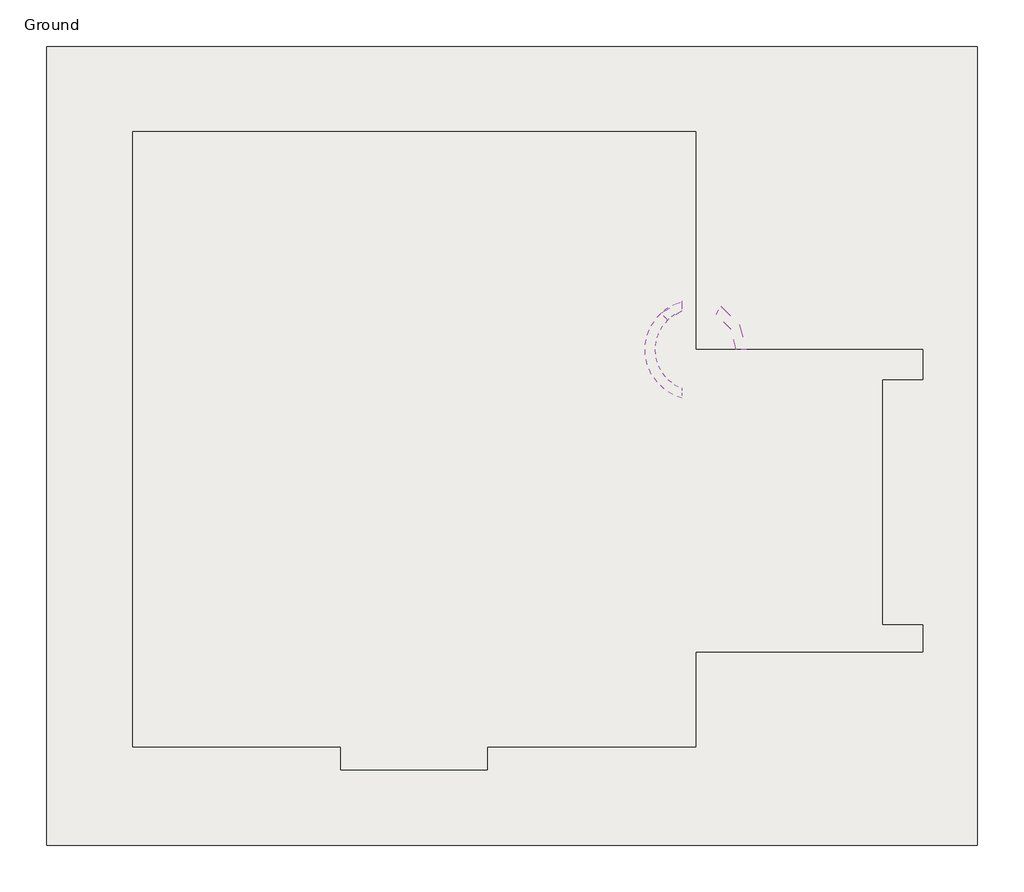
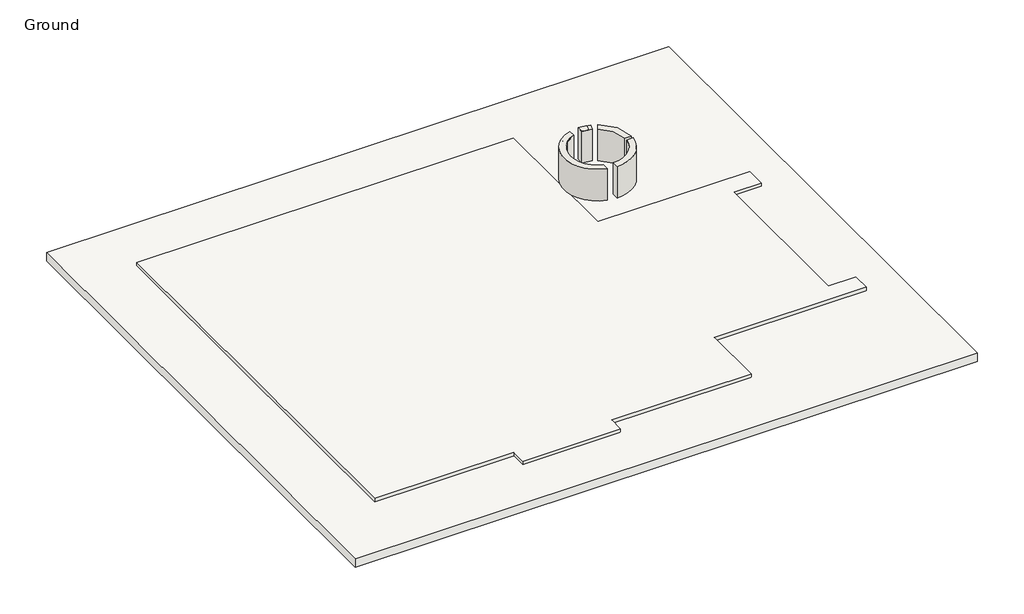
# One storey: 3 walls, 2 slabs.
"""IFC4 building model written with IfcOpenShell, lengths in millimetres."""

import ifcopenshell
import ifcopenshell.guid

model = None  # the IFC model being written
_history = None  # IfcOwnerHistory: only IFC2X3 demands one
_inside = {}  # id of a spatial element -> (the spatial element, [elements in it])
_under = {}  # id of a project, library or spatial element -> (it, [spatial elements below it])
_declared = {}  # id of a project -> (the project, [libraries it declares])
_typed = {}  # id of a type object -> (the type object, [elements of that type])
_made_of = {}  # id of a material, layer set ... -> (it, [elements and type objects made of it])


def new_model(schema):
    """Start an empty IFC model of exactly this schema.

    Asked for "IFC4X3", IfcOpenShell would pick the latest addendum, in which some entities
    have other attributes; the version numbers below select the first issue.
    IFC2X3 requires an IfcOwnerHistory on every rooted entity: one is made here for all.
    """
    global model, _history
    if schema == "IFC4X3":
        model = ifcopenshell.file(schema_version=(4, 3, 0, 0))
    else:
        model = ifcopenshell.file(schema=schema)
    _inside.clear()
    _under.clear()
    _declared.clear()
    _typed.clear()
    _made_of.clear()
    _history = None
    if model.schema == "IFC2X3":
        org = make("IfcOrganization", Name="unknown")
        user = make(
            "IfcPersonAndOrganization",
            ThePerson=make("IfcPerson", FamilyName="unknown"),
            TheOrganization=org,
        )
        app = make(
            "IfcApplication",
            ApplicationDeveloper=org,
            Version="unknown",
            ApplicationFullName="unknown",
            ApplicationIdentifier="unknown",
        )
        _history = make(
            "IfcOwnerHistory",
            OwningUser=user,
            OwningApplication=app,
            ChangeAction="ADDED",
            CreationDate=0,
        )
    return model


def make(cls, **values):
    """One entity of the class cls with the attributes given. An attribute that is None is left unset."""
    return model.create_entity(
        cls, **{name: value for name, value in values.items() if value is not None}
    )


def rooted(cls, **values):
    """An entity with a GlobalId (a new one), such as an element, a storey or a relation."""
    return make(cls, GlobalId=ifcopenshell.guid.new(), OwnerHistory=_history, **values)


def si_unit(unit_type, name, prefix=None):
    """IfcSIUnit, for example si_unit("LENGTHUNIT", "METRE", prefix="MILLI")."""
    return make("IfcSIUnit", UnitType=unit_type, Prefix=prefix, Name=name)


def assignment(units):
    """IfcUnitAssignment: the units of a project."""
    return None if units is None else make("IfcUnitAssignment", Units=units)


def point(xyz):
    """IfcCartesianPoint."""
    return None if xyz is None else make("IfcCartesianPoint", Coordinates=xyz)


def direction(xyz):
    """IfcDirection."""
    return None if xyz is None else make("IfcDirection", DirectionRatios=xyz)


def frame(location, z_axis=None, x_axis=None):
    """IfcAxis2Placement3D, a coordinate frame: its origin and axes. An axis left out is left unset."""
    return make(
        "IfcAxis2Placement3D",
        Location=point(location),
        Axis=direction(z_axis),
        RefDirection=direction(x_axis),
    )


def frame_2d(location, x_axis=None):
    """IfcAxis2Placement2D, a coordinate frame in the plane: its origin and x axis."""
    return make(
        "IfcAxis2Placement2D", Location=point(location), RefDirection=direction(x_axis)
    )


def origin():
    """The frame at (0, 0, 0) with its axes left unset."""
    return frame((0.0, 0.0, 0.0))


def place(relative_to, where):
    """IfcLocalPlacement: puts the frame where relative to a parent placement (None: the world)."""
    return make(
        "IfcLocalPlacement", PlacementRelTo=relative_to, RelativePlacement=where
    )


def context(
    kind, dimensions, precision=None, world=None, true_north=None, identifier=None
):
    """IfcGeometricRepresentationContext, for example the 3D "Model" context."""
    return make(
        "IfcGeometricRepresentationContext",
        ContextIdentifier=identifier,
        ContextType=kind,
        CoordinateSpaceDimension=dimensions,
        Precision=precision,
        WorldCoordinateSystem=world,
        TrueNorth=true_north,
    )


def project(units=None, contexts=None):
    """IfcProject with its units and contexts."""
    return rooted(
        "IfcProject",
        Name="project",
        RepresentationContexts=contexts,
        UnitsInContext=assignment(units),
    )


def spatial(cls, under=None, at=None, **own):
    """A site, building, storey or space (cls), placed at a placement, below another one or the project."""
    s = rooted(cls, ObjectPlacement=at, **own)
    if under is not None:
        _under.setdefault(under.id(), (under, []))[1].append(s)
    return s


def polyline(points):
    """IfcPolyline through the points."""
    return make("IfcPolyline", Points=[point(p) for p in points])


def circle_curve(where, radius):
    """IfcCircle in the frame where."""
    return make("IfcCircle", Position=where, Radius=radius)


def trimmed(basis, trim1, trim2, sense, master):
    """IfcTrimmedCurve: the piece of a basis curve between two trims."""
    return make(
        "IfcTrimmedCurve",
        BasisCurve=basis,
        Trim1=trim1,
        Trim2=trim2,
        SenseAgreement=sense,
        MasterRepresentation=master,
    )


def segment(curve, same_sense, transition):
    """IfcCompositeCurveSegment."""
    return make(
        "IfcCompositeCurveSegment",
        Transition=transition,
        SameSense=same_sense,
        ParentCurve=curve,
    )


def composite_curve(segments, self_intersect=None):
    """IfcCompositeCurve: segments joined end to end."""
    return make("IfcCompositeCurve", Segments=segments, SelfIntersect=self_intersect)


def outline(outer, holes=None, kind="AREA"):
    """IfcArbitraryClosedProfileDef: a profile drawn as a closed curve; with holes, ...WithVoids."""
    if holes is None:
        return make("IfcArbitraryClosedProfileDef", ProfileType=kind, OuterCurve=outer)
    return make(
        "IfcArbitraryProfileDefWithVoids",
        ProfileType=kind,
        OuterCurve=outer,
        InnerCurves=holes,
    )


def extrude(swept, where, along, depth):
    """IfcExtrudedAreaSolid: the profile swept, set in the frame where, extruded along a direction by depth."""
    return make(
        "IfcExtrudedAreaSolid",
        SweptArea=swept,
        Position=where,
        ExtrudedDirection=direction(along),
        Depth=depth,
    )


def shape(context_of_items, identifier, shape_type, items):
    """IfcShapeRepresentation: the items that make up one representation, for example the "Body"."""
    return make(
        "IfcShapeRepresentation",
        ContextOfItems=context_of_items,
        RepresentationIdentifier=identifier,
        RepresentationType=shape_type,
        Items=items,
    )


def made_of(thing, what):
    """Note that an element or type object is made of a material, layer set ...; save() writes the relation."""
    if what is not None:
        _made_of.setdefault(what.id(), (what, []))[1].append(thing)
    return thing


def element(
    cls,
    number,
    at=None,
    inside=None,
    cuts=None,
    type_object=None,
    material=None,
    context=None,
    identifier="Body",
    shape_type=None,
    held_by="IfcProductDefinitionShape",
    body=None,
    shapes=None,
    **own,
):
    """One element of the class cls, such as IfcWall. Its Tag is "e" and its number.

    at: its placement. inside: the storey or other place that contains it. cuts: it is an
    opening in that element (IfcRelVoidsElement). A single representation is given by context,
    identifier, shape_type and body (its items); several are given by shapes. held_by: the class
    of the entity that holds the representations. save() writes the other relations.
    """
    e = rooted(cls, Tag="e%d" % number, ObjectPlacement=at, **own)
    if body is not None:
        shapes = [shape(context, identifier, shape_type, body)]
    if shapes is not None:
        e.Representation = make(held_by, Representations=shapes)
    if inside is not None:
        _inside.setdefault(inside.id(), (inside, []))[1].append(e)
    if cuts is not None:
        rooted(
            "IfcRelVoidsElement", RelatingBuildingElement=cuts, RelatedOpeningElement=e
        )
    if type_object is not None:
        _typed.setdefault(type_object.id(), (type_object, []))[1].append(e)
    return made_of(e, material)


def aggregate(whole, parts):
    """IfcRelAggregates: a whole, such as a stair, and the parts it consists of."""
    return rooted("IfcRelAggregates", RelatingObject=whole, RelatedObjects=parts)


def save(model, path):
    """Write the relations noted so far, then the file.

    IfcRelAggregates (storeys below a building ...), IfcRelContainedInSpatialStructure (elements
    in a storey), IfcRelDefinesByType, IfcRelAssociatesMaterial and IfcRelDeclares: one each for
    every whole, place, type object, material and project.
    """
    for whole, parts in _under.values():
        aggregate(whole, parts)
    for where, things in _inside.values():
        rooted(
            "IfcRelContainedInSpatialStructure",
            RelatedElements=things,
            RelatingStructure=where,
        )
    for kind, things in _typed.values():
        rooted("IfcRelDefinesByType", RelatedObjects=things, RelatingType=kind)
    for what, things in _made_of.values():
        rooted("IfcRelAssociatesMaterial", RelatedObjects=things, RelatingMaterial=what)
    for by, libraries in _declared.values():
        rooted("IfcRelDeclares", RelatingContext=by, RelatedDefinitions=libraries)
    model.write(path)


model = new_model("IFC4")

# Units and contexts
model_context = context("Model", 3, world=origin())
ifc_project = project(units=[si_unit("LENGTHUNIT", "METRE", prefix="MILLI")], contexts=[model_context])

# Site, building, storey
site = spatial("IfcSite", under=ifc_project)
building = spatial("IfcBuilding", under=site)
storey = spatial("IfcBuildingStorey", under=building, Name="Ground", Elevation=0.0)

# Slabs
placement = place(None, origin())
element("IfcSlab", 1, ObjectType="Floor 1", at=placement, inside=storey, context=model_context, shape_type="SweptSolid", body=[
    extrude(outline(polyline([(34406.4209028, 18235.6364406), (34406.4209028, 635.6364406), (13906.4209028, 635.6364406), (13906.4209028, 18235.6364406), (34406.4209028, 18235.6364406)])), frame((0.0, 0.0, -420.0), z_axis=(0.0, 0.0, 1.0), x_axis=(1.0, 0.0, 0.0)), (0.0, 0.0, 1.0), 300.0),
])
element("IfcSlab", 2, ObjectType="Foundation Slab 1", at=placement, inside=storey, context=model_context, shape_type="SweptSolid", body=[
    extrude(outline(polyline([(28200.0, 16362.5), (28200.0, 11555.0), (33205.0, 11555.0), (33205.0, 10895.0), (32305.0, 10895.0), (32305.0, 5495.0), (33205.0, 5495.0), (33205.0, 4895.0), (28200.0, 4895.0), (28200.0, 2800.0), (23610.0, 2800.0), (23610.0, 2300.0), (20390.0, 2300.0), (20390.0, 2800.0), (15800.0, 2800.0), (15800.0, 16362.5), (28200.0, 16362.5)])), frame((0.0, 0.0, -300.0), z_axis=(0.0, 0.0, 1.0), x_axis=(1.0, 0.0, 0.0)), (0.0, 0.0, 1.0), 300.0),
])

# Walls
element("IfcWall", 3, ObjectType="Wall 200", at=placement, inside=storey, context=model_context, shape_type="SweptSolid", body=[
    extrude(outline(composite_curve([segment(polyline([(28464.3492541, 12633.062833), (28414.3372331, 12429.1049997)]), True, "CONTINUOUS"), segment(trimmed(circle_curve(frame_2d((28200.0, 11555.0)), 900.0), [point((28414.3372331, 12429.1049997))], [point((28200.0, 12455.0))], True, "CARTESIAN"), True, "CONTINUOUS"), segment(polyline([(28200.0, 12455.0), (28200.0, 12665.0)]), True, "CONTINUOUS"), segment(trimmed(circle_curve(frame_2d((28200.0, 11555.0)), 1110.0), [point((28200.0, 12665.0))], [point((28464.3492541, 12633.062833))], False, "CARTESIAN"), True, "CONTINUOUS")], self_intersect=False)), frame((0.0, 0.0, 1500.0), z_axis=(0.0, 0.0, 1.0), x_axis=(1.0, 0.0, 0.0)), (0.0, 0.0, 1.0), 1100.0),
    extrude(outline(composite_curve([segment(polyline([(29093.2524839, 11445.0), (29304.5361017, 11445.0)]), True, "CONTINUOUS"), segment(trimmed(circle_curve(frame_2d((28200.0, 11555.0)), 1110.0), [point((29304.5361017, 11445.0))], [point((28200.0, 10445.0))], False, "CARTESIAN"), True, "CONTINUOUS"), segment(polyline([(28200.0, 10445.0), (28200.0, 10655.0)]), True, "CONTINUOUS"), segment(trimmed(circle_curve(frame_2d((28200.0, 11555.0)), 900.0), [point((28200.0, 10655.0))], [point((29093.2524839, 11445.0))], True, "CARTESIAN"), True, "CONTINUOUS")], self_intersect=False)), frame((0.0, 0.0, 1500.0), z_axis=(0.0, 0.0, 1.0), x_axis=(1.0, 0.0, 0.0)), (0.0, 0.0, 1.0), 1100.0),
    extrude(outline(composite_curve([segment(trimmed(circle_curve(frame_2d((28200.0, 11555.0)), 1110.0), [point((27900.0, 10486.3092122))], [point((27900.0, 12623.6907878))], False, "CARTESIAN"), True, "CONTINUOUS"), segment(polyline([(27900.0, 12623.6907878), (27900.0, 12403.5281374)]), True, "CONTINUOUS"), segment(trimmed(circle_curve(frame_2d((28200.0, 11555.0)), 900.0), [point((27900.0, 12403.5281374))], [point((27900.0, 10706.4718626))], True, "CARTESIAN"), True, "CONTINUOUS"), segment(polyline([(27900.0, 10706.4718626), (27900.0, 10486.3092122)]), True, "CONTINUOUS")], self_intersect=False)), frame((0.0, 0.0, 1500.0), z_axis=(0.0, 0.0, 1.0), x_axis=(1.0, 0.0, 0.0)), (0.0, 0.0, 1.0), 1100.0),
])
element("IfcWall", 4, ObjectType="Wall 200", at=placement, inside=storey, context=model_context, shape_type="SweptSolid", body=[
    extrude(outline(composite_curve([segment(polyline([(28575.0010529, 12598.5213182), (28504.0435347, 12400.8725625)]), True, "CONTINUOUS"), segment(trimmed(circle_curve(frame_2d((28199.9398851, 11553.8064669)), 900.0), [point((28504.0435347, 12400.8725625))], [point((28200.0, 12453.8064649))], True, "CARTESIAN"), True, "CONTINUOUS"), segment(polyline([(28200.0, 12453.8064649), (28200.0, 12663.8064653)]), True, "CONTINUOUS"), segment(trimmed(circle_curve(frame_2d((28199.9398851, 11553.8064669)), 1110.0), [point((28200.0, 12663.8064653))], [point((28575.0010529, 12598.5213182))], False, "CARTESIAN"), True, "CONTINUOUS")], self_intersect=False)), frame((0.0, 0.0, 1500.0), z_axis=(0.0, 0.0, 1.0), x_axis=(1.0, 0.0, 0.0)), (0.0, 0.0, 1.0), 1100.0),
    extrude(outline(composite_curve([segment(polyline([(27579.4134114, 12205.6859768), (27434.6239009, 12357.7911958)]), True, "CONTINUOUS"), segment(trimmed(circle_curve(frame_2d((28199.9398851, 11553.8064669)), 1110.0), [point((27434.6239009, 12357.7911958))], [point((27900.0, 12622.5141282))], False, "CARTESIAN"), True, "CONTINUOUS"), segment(polyline([(27900.0, 12622.5141282), (27900.0, 12402.3558557)]), True, "CONTINUOUS"), segment(trimmed(circle_curve(frame_2d((28199.9398851, 11553.8064669)), 900.0), [point((27900.0, 12402.3558557))], [point((27579.4134114, 12205.6859768))], True, "CARTESIAN"), True, "CONTINUOUS")], self_intersect=False)), frame((0.0, 0.0, 1500.0), z_axis=(0.0, 0.0, 1.0), x_axis=(1.0, 0.0, 0.0)), (0.0, 0.0, 1.0), 1100.0),
])
element("IfcWall", 5, ObjectType="Wall 200", at=placement, inside=storey, context=model_context, shape_type="SweptSolid", body=[
    extrude(outline(composite_curve([segment(polyline([(28651.3507544, 12332.4130602), (28756.6799572, 12514.087932)]), True, "CONTINUOUS"), segment(trimmed(circle_curve(frame_2d((28199.9398851, 11553.8064669)), 1110.0), [point((28756.6799572, 12514.087932))], [point((29309.9392435, 11555.0))], False, "CARTESIAN"), True, "CONTINUOUS"), segment(polyline([(29309.9392435, 11555.0), (29099.9390937, 11555.0)]), True, "CONTINUOUS"), segment(trimmed(circle_curve(frame_2d((28199.9398851, 11553.8064669)), 900.0), [point((29099.9390937, 11555.0))], [point((28651.3507544, 12332.4130602))], True, "CARTESIAN"), True, "CONTINUOUS")], self_intersect=False)), frame((0.0, 0.0, 1500.0), z_axis=(0.0, 0.0, 1.0), x_axis=(1.0, 0.0, 0.0)), (0.0, 0.0, 1.0), 1100.0),
])

save(model, "model.ifc")
